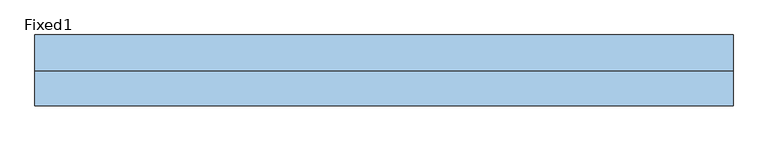
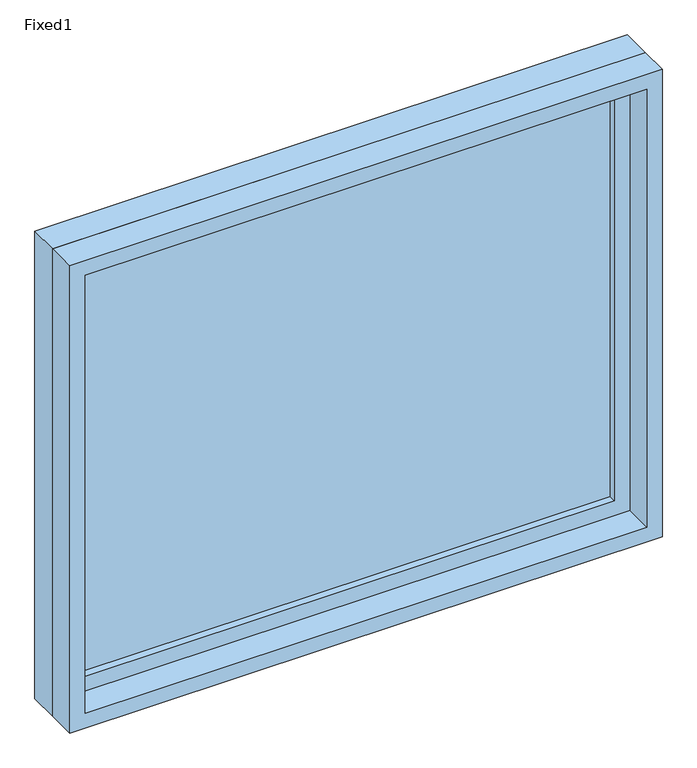
"""IFC4 building model written with IfcOpenShell, lengths in millimetres: window geometry, Fixed1."""

import ifcopenshell
import ifcopenshell.guid

model = None  # the IFC model being written
_history = None  # IfcOwnerHistory: only IFC2X3 demands one
_inside = {}  # id of a spatial element -> (the spatial element, [elements in it])
_under = {}  # id of a project, library or spatial element -> (it, [spatial elements below it])
_declared = {}  # id of a project -> (the project, [libraries it declares])
_typed = {}  # id of a type object -> (the type object, [elements of that type])
_made_of = {}  # id of a material, layer set ... -> (it, [elements and type objects made of it])


def new_model(schema):
    """Start an empty IFC model of exactly this schema.

    Asked for "IFC4X3", IfcOpenShell would pick the latest addendum, in which some entities
    have other attributes; the version numbers below select the first issue.
    IFC2X3 requires an IfcOwnerHistory on every rooted entity: one is made here for all.
    """
    global model, _history
    if schema == "IFC4X3":
        model = ifcopenshell.file(schema_version=(4, 3, 0, 0))
    else:
        model = ifcopenshell.file(schema=schema)
    _inside.clear()
    _under.clear()
    _declared.clear()
    _typed.clear()
    _made_of.clear()
    _history = None
    if model.schema == "IFC2X3":
        org = make("IfcOrganization", Name="unknown")
        user = make(
            "IfcPersonAndOrganization",
            ThePerson=make("IfcPerson", FamilyName="unknown"),
            TheOrganization=org,
        )
        app = make(
            "IfcApplication",
            ApplicationDeveloper=org,
            Version="unknown",
            ApplicationFullName="unknown",
            ApplicationIdentifier="unknown",
        )
        _history = make(
            "IfcOwnerHistory",
            OwningUser=user,
            OwningApplication=app,
            ChangeAction="ADDED",
            CreationDate=0,
        )
    return model


def make(cls, **values):
    """One entity of the class cls with the attributes given. An attribute that is None is left unset."""
    return model.create_entity(
        cls, **{name: value for name, value in values.items() if value is not None}
    )


def rooted(cls, **values):
    """An entity with a GlobalId (a new one), such as an element, a storey or a relation."""
    return make(cls, GlobalId=ifcopenshell.guid.new(), OwnerHistory=_history, **values)


def si_unit(unit_type, name, prefix=None):
    """IfcSIUnit, for example si_unit("LENGTHUNIT", "METRE", prefix="MILLI")."""
    return make("IfcSIUnit", UnitType=unit_type, Prefix=prefix, Name=name)


def assignment(units):
    """IfcUnitAssignment: the units of a project."""
    return None if units is None else make("IfcUnitAssignment", Units=units)


def point(xyz):
    """IfcCartesianPoint."""
    return None if xyz is None else make("IfcCartesianPoint", Coordinates=xyz)


def direction(xyz):
    """IfcDirection."""
    return None if xyz is None else make("IfcDirection", DirectionRatios=xyz)


def frame(location, z_axis=None, x_axis=None):
    """IfcAxis2Placement3D, a coordinate frame: its origin and axes. An axis left out is left unset."""
    return make(
        "IfcAxis2Placement3D",
        Location=point(location),
        Axis=direction(z_axis),
        RefDirection=direction(x_axis),
    )


def origin():
    """The frame at (0, 0, 0) with its axes left unset."""
    return frame((0.0, 0.0, 0.0))


def place(relative_to, where):
    """IfcLocalPlacement: puts the frame where relative to a parent placement (None: the world)."""
    return make(
        "IfcLocalPlacement", PlacementRelTo=relative_to, RelativePlacement=where
    )


def context(
    kind, dimensions, precision=None, world=None, true_north=None, identifier=None
):
    """IfcGeometricRepresentationContext, for example the 3D "Model" context."""
    return make(
        "IfcGeometricRepresentationContext",
        ContextIdentifier=identifier,
        ContextType=kind,
        CoordinateSpaceDimension=dimensions,
        Precision=precision,
        WorldCoordinateSystem=world,
        TrueNorth=true_north,
    )


def project(units=None, contexts=None):
    """IfcProject with its units and contexts."""
    return rooted(
        "IfcProject",
        Name="project",
        RepresentationContexts=contexts,
        UnitsInContext=assignment(units),
    )


def spatial(cls, under=None, at=None, **own):
    """A site, building, storey or space (cls), placed at a placement, below another one or the project."""
    s = rooted(cls, ObjectPlacement=at, **own)
    if under is not None:
        _under.setdefault(under.id(), (under, []))[1].append(s)
    return s


def polyline(points):
    """IfcPolyline through the points."""
    return make("IfcPolyline", Points=[point(p) for p in points])


def outline(outer, holes=None, kind="AREA"):
    """IfcArbitraryClosedProfileDef: a profile drawn as a closed curve; with holes, ...WithVoids."""
    if holes is None:
        return make("IfcArbitraryClosedProfileDef", ProfileType=kind, OuterCurve=outer)
    return make(
        "IfcArbitraryProfileDefWithVoids",
        ProfileType=kind,
        OuterCurve=outer,
        InnerCurves=holes,
    )


def extrude(swept, where, along, depth):
    """IfcExtrudedAreaSolid: the profile swept, set in the frame where, extruded along a direction by depth."""
    return make(
        "IfcExtrudedAreaSolid",
        SweptArea=swept,
        Position=where,
        ExtrudedDirection=direction(along),
        Depth=depth,
    )


def shape(context_of_items, identifier, shape_type, items):
    """IfcShapeRepresentation: the items that make up one representation, for example the "Body"."""
    return make(
        "IfcShapeRepresentation",
        ContextOfItems=context_of_items,
        RepresentationIdentifier=identifier,
        RepresentationType=shape_type,
        Items=items,
    )


def source(mapping_origin, context_of_items, identifier, shape_type, items):
    """IfcRepresentationMap: a shape defined once, which mapped items show again and again."""
    return make(
        "IfcRepresentationMap",
        MappingOrigin=mapping_origin,
        MappedRepresentation=shape(context_of_items, identifier, shape_type, items),
    )


def transform(
    local_origin,
    x_axis=None,
    y_axis=None,
    z_axis=None,
    scale=None,
    scale2=None,
    scale3=None,
    uniform=True,
):
    """IfcCartesianTransformationOperator3D, or its non-uniform kind. x_axis, y_axis, z_axis: its Axis1, 2, 3."""
    if uniform:
        return make(
            "IfcCartesianTransformationOperator3D",
            Axis1=direction(x_axis),
            Axis2=direction(y_axis),
            LocalOrigin=point(local_origin),
            Scale=scale,
            Axis3=direction(z_axis),
        )
    return make(
        "IfcCartesianTransformationOperator3DnonUniform",
        Axis1=direction(x_axis),
        Axis2=direction(y_axis),
        LocalOrigin=point(local_origin),
        Scale=scale,
        Axis3=direction(z_axis),
        Scale2=scale2,
        Scale3=scale3,
    )


def mapped(mapping_source, mapping_target):
    """IfcMappedItem: shows the shape of a source again, moved by a transform."""
    return make(
        "IfcMappedItem", MappingSource=mapping_source, MappingTarget=mapping_target
    )


def made_of(thing, what):
    """Note that an element or type object is made of a material, layer set ...; save() writes the relation."""
    if what is not None:
        _made_of.setdefault(what.id(), (what, []))[1].append(thing)
    return thing


def element(
    cls,
    number,
    at=None,
    inside=None,
    cuts=None,
    type_object=None,
    material=None,
    context=None,
    identifier="Body",
    shape_type=None,
    held_by="IfcProductDefinitionShape",
    body=None,
    shapes=None,
    **own,
):
    """One element of the class cls, such as IfcWall. Its Tag is "e" and its number.

    at: its placement. inside: the storey or other place that contains it. cuts: it is an
    opening in that element (IfcRelVoidsElement). A single representation is given by context,
    identifier, shape_type and body (its items); several are given by shapes. held_by: the class
    of the entity that holds the representations. save() writes the other relations.
    """
    e = rooted(cls, Tag="e%d" % number, ObjectPlacement=at, **own)
    if body is not None:
        shapes = [shape(context, identifier, shape_type, body)]
    if shapes is not None:
        e.Representation = make(held_by, Representations=shapes)
    if inside is not None:
        _inside.setdefault(inside.id(), (inside, []))[1].append(e)
    if cuts is not None:
        rooted(
            "IfcRelVoidsElement", RelatingBuildingElement=cuts, RelatedOpeningElement=e
        )
    if type_object is not None:
        _typed.setdefault(type_object.id(), (type_object, []))[1].append(e)
    return made_of(e, material)


def aggregate(whole, parts):
    """IfcRelAggregates: a whole, such as a stair, and the parts it consists of."""
    return rooted("IfcRelAggregates", RelatingObject=whole, RelatedObjects=parts)


def save(model, path):
    """Write the relations noted so far, then the file.

    IfcRelAggregates (storeys below a building ...), IfcRelContainedInSpatialStructure (elements
    in a storey), IfcRelDefinesByType, IfcRelAssociatesMaterial and IfcRelDeclares: one each for
    every whole, place, type object, material and project.
    """
    for whole, parts in _under.values():
        aggregate(whole, parts)
    for where, things in _inside.values():
        rooted(
            "IfcRelContainedInSpatialStructure",
            RelatedElements=things,
            RelatingStructure=where,
        )
    for kind, things in _typed.values():
        rooted("IfcRelDefinesByType", RelatedObjects=things, RelatingType=kind)
    for what, things in _made_of.values():
        rooted("IfcRelAssociatesMaterial", RelatedObjects=things, RelatingMaterial=what)
    for by, libraries in _declared.values():
        rooted("IfcRelDeclares", RelatingContext=by, RelatedDefinitions=libraries)
    model.write(path)


def fixed1_26fc199d(model_context):
    return source(origin(), model_context, "Body", "SweptSolid", [
        extrude(outline(polyline([(508.0, 14.2875), (-584.2, 14.2875), (-584.2, 26.9875), (508.0, 26.9875), (508.0, 14.2875)])), frame((0.0, 0.0, 1130.3), z_axis=(0.0, 0.0, 1.0), x_axis=(1.0, 0.0, 0.0)), (0.0, 0.0, 1.0), 889.0),
        extrude(outline(polyline([(2063.75, -628.65), (1085.85, -628.65), (1085.85, 552.45), (2063.75, 552.45), (2063.75, -628.65)]), holes=[polyline([(2019.3, -584.2), (2019.3, 508.0), (1130.3, 508.0), (1130.3, -584.2), (2019.3, -584.2)])]), frame((0.0, -1.5875, 0.0), z_axis=(0.0, 1.0, 0.0), x_axis=(0.0, 0.0, 1.0)), (0.0, 0.0, 1.0), 44.45),
        extrude(outline(polyline([(2082.8, -647.7), (1066.8, -647.7), (1066.8, 571.5), (2082.8, 571.5), (2082.8, -647.7)]), holes=[polyline([(2051.05, -615.95), (2051.05, 539.75), (1098.55, 539.75), (1098.55, -615.95), (2051.05, -615.95)])]), frame((0.0, -61.9125, 0.0), z_axis=(0.0, 1.0, 0.0), x_axis=(0.0, 0.0, 1.0)), (0.0, 0.0, 1.0), 60.325),
        extrude(outline(polyline([(2082.8, 571.5), (2082.8, -647.7), (1066.8, -647.7), (1066.8, 571.5), (2082.8, 571.5)]), holes=[polyline([(2063.75, 552.45), (1085.85, 552.45), (1085.85, -628.65), (2063.75, -628.65), (2063.75, 552.45)])]), frame((0.0, -1.5875, 0.0), z_axis=(0.0, 1.0, 0.0), x_axis=(0.0, 0.0, 1.0)), (0.0, 0.0, 1.0), 63.5),
    ])


if __name__ == "__main__":
    model = new_model("IFC4")
    model_context = context("Model", 3, world=origin())
    ifc_project = project(units=[si_unit("LENGTHUNIT", "METRE", prefix="MILLI")], contexts=[model_context])
    site = spatial("IfcSite", under=ifc_project)
    building = spatial("IfcBuilding", under=site)
    placement = place(None, origin())
    fixed1_shape = fixed1_26fc199d(model_context)
    element("IfcWindow", 1, ObjectType="Fixed1", at=placement, inside=building, context=model_context, shape_type="MappedRepresentation", body=[
        mapped(fixed1_shape, transform((0.0, 0.0, 0.0), x_axis=(1.0, 0.0, 0.0), y_axis=(0.0, 1.0, 0.0), z_axis=(0.0, 0.0, 1.0))),
    ])
    save(model, "model.ifc")
